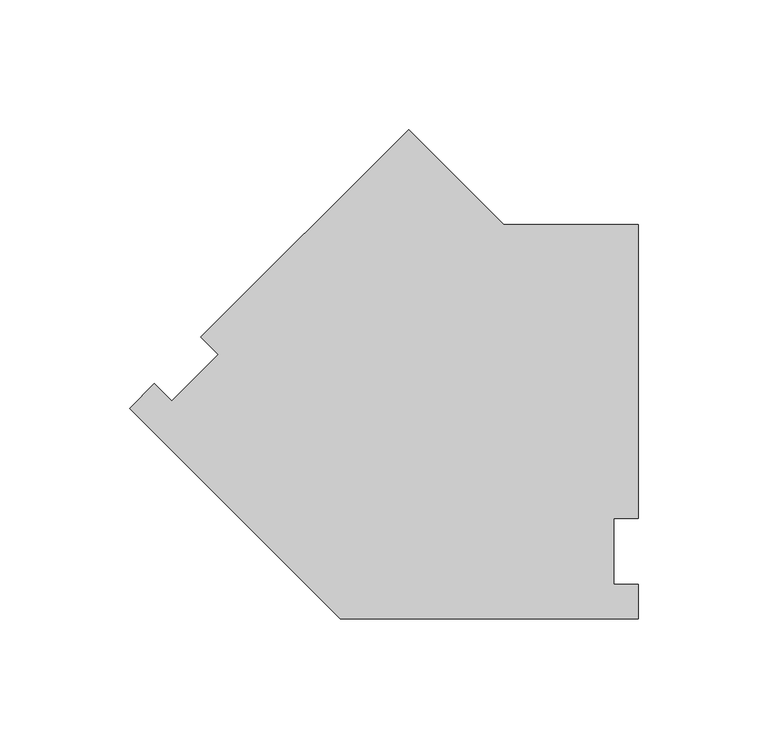
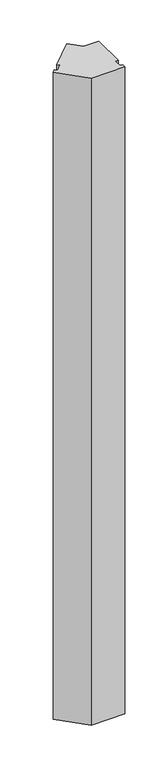
"""IFC4 building model written with IfcOpenShell, lengths in millimetres: proxy geometry."""

from ifc_helpers import new_model, si_unit, frame, origin, place, context, project, spatial, polyline, outline, extrude, source, transform, mapped, element, save


def specialty_equipment_2b57d817(model_context):
    return source(origin(), model_context, "Body", "SweptSolid", [
        extrude(outline(polyline([(15.5378695, 162.9528946), (52.286221, 126.2045431), (104.2521172, 126.2045431), (104.2521172, 12.7), (94.7271172, 12.7), (94.7271172, -12.7), (104.2521172, -12.7), (104.2521172, -26.19375), (-10.8498065, -26.19375), (-92.2292908, 55.1857343), (-82.6877686, 64.7272564), (-75.9525765, 57.9920643), (-57.9920643, 75.9525765), (-64.7272564, 82.6877686), (15.5378695, 162.9528946)])), frame((0.0, 0.0, 63.5), z_axis=(0.0, 0.0, 1.0), x_axis=(1.0, 0.0, 0.0)), (0.0, 0.0, 1.0), 2324.1),
    ])


if __name__ == "__main__":
    model = new_model("IFC4")
    model_context = context("Model", 3, world=origin())
    ifc_project = project(units=[si_unit("LENGTHUNIT", "METRE", prefix="MILLI")], contexts=[model_context])
    site = spatial("IfcSite", under=ifc_project)
    building = spatial("IfcBuilding", under=site)
    placement = place(None, origin())
    specialty_equipment_shape = specialty_equipment_2b57d817(model_context)
    element("IfcBuildingElementProxy", 1, Name="Specialty Equipment", at=placement, inside=building, context=model_context, shape_type="MappedRepresentation", body=[
        mapped(specialty_equipment_shape, transform((0.0, 0.0, 0.0), x_axis=(1.0, 0.0, 0.0), y_axis=(0.0, 1.0, 0.0), z_axis=(0.0, 0.0, 1.0))),
    ])
    save(model, "model.ifc")
